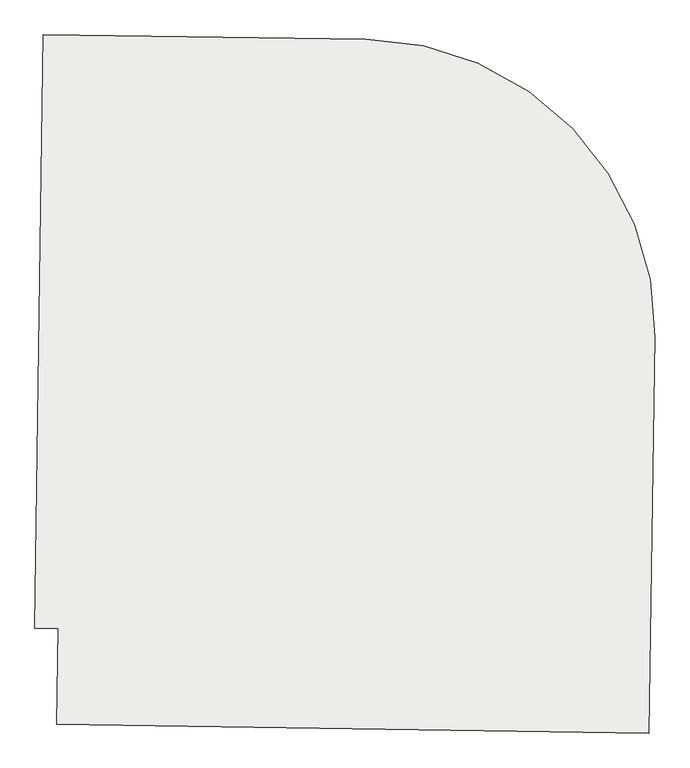
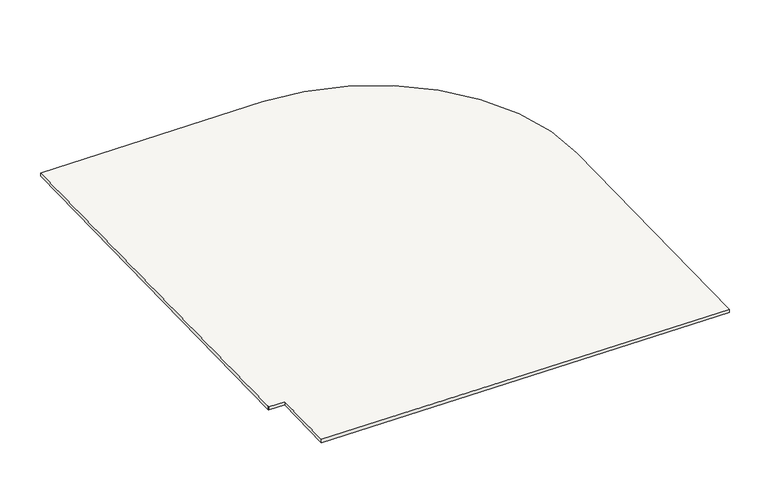
"""IFC4 building model written with IfcOpenShell, lengths in millimetres: slab geometry."""

from ifc_helpers import new_model, si_unit, point, frame, frame_2d, origin, place, context, project, spatial, polyline, circle_curve, trimmed, segment, composite_curve, outline, extrude, source, transform, mapped, element, save


def slab_d702585c(model_context):
    return source(origin(), model_context, "Body", "SweptSolid", [
        extrude(outline(composite_curve([segment(polyline([(-138009.7826208, 88138.0884149), (-136704.3786117, 88119.8603519)]), True, "CONTINUOUS"), segment(trimmed(circle_curve(frame_2d((-136720.9237954, 86934.975861)), 1185.0), [point((-136704.3786117, 88119.8603519))], [point((-135536.0567567, 86917.2247853))], False, "CARTESIAN"), True, "CONTINUOUS"), segment(polyline([(-135536.0567567, 86917.2247853), (-135560.0658332, 85314.6422816), (-137954.472041, 85350.5140584), (-137948.6818861, 85737.0012671), (-138043.2918536, 85738.3223573), (-138043.2239989, 85743.1817744), (-138009.7826208, 88138.0884149)]), True, "CONTINUOUS")], self_intersect=False)), frame((0.0, 0.0, 7278.5), z_axis=(0.0, 0.0, 1.0), x_axis=(1.0, 0.0, 0.0)), (0.0, 0.0, 1.0), 20.0),
    ])


if __name__ == "__main__":
    model = new_model("IFC4")
    model_context = context("Model", 3, world=origin())
    ifc_project = project(units=[si_unit("LENGTHUNIT", "METRE", prefix="MILLI")], contexts=[model_context])
    site = spatial("IfcSite", under=ifc_project)
    building = spatial("IfcBuilding", under=site)
    placement = place(None, origin())
    slab_shape = slab_d702585c(model_context)
    element("IfcSlab", 1, at=placement, inside=building, context=model_context, shape_type="MappedRepresentation", body=[
        mapped(slab_shape, transform((0.0, 0.0, 0.0), x_axis=(1.0, 0.0, 0.0), y_axis=(0.0, 1.0, 0.0), z_axis=(0.0, 0.0, 1.0))),
    ])
    save(model, "model.ifc")
